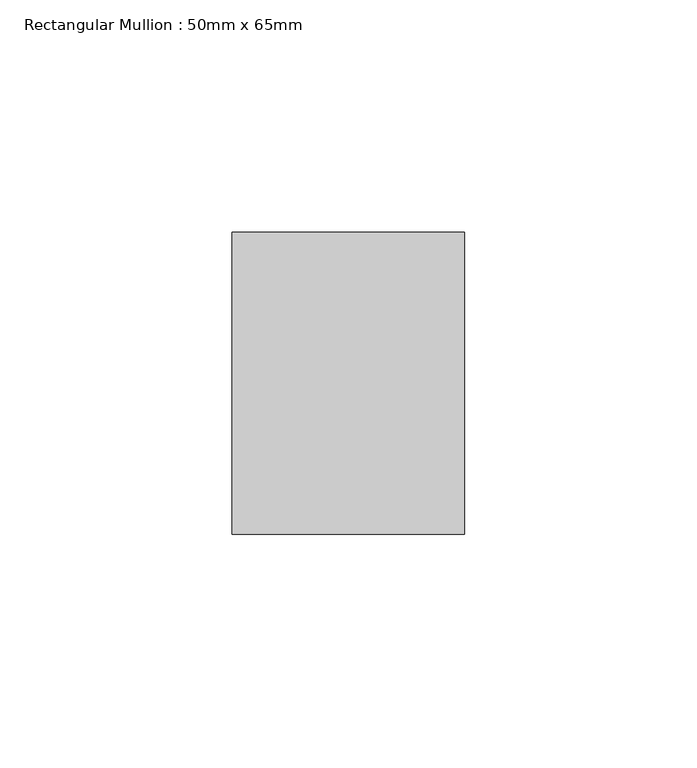
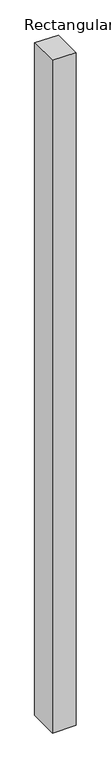
"""IFC4 building model written with IfcOpenShell, lengths in millimetres: member geometry, Rectangular Mullion : 50mm x 65mm."""

from ifc_helpers import new_model, si_unit, origin, place, context, project, spatial, faceted_brep, source, transform, mapped, element, save


def rectangular_mullion_50mm_x_65mm_d028b335(model_context):
    return source(origin(), model_context, "Body", "Brep", [
        faceted_brep([(-25.0, 32.5, -0.2027377), (25.0, 32.5, -0.2027371), (25.0, 32.5, -1499.892438), (-25.0, 32.5, -1499.8924377), (-25.0, -32.5, 0.2027371), (-25.0, -32.5, -1500.1070973), (25.0, -32.5, 0.2027377), (25.0, -32.5, -1500.1070977)], [[[0, 1, 2, 3]], [[4, 0, 3, 5]], [[6, 4, 5, 7]], [[1, 6, 7, 2]], [[1, 0, 4, 6]], [[2, 7, 5, 3]]]),
    ])


if __name__ == "__main__":
    model = new_model("IFC4")
    model_context = context("Model", 3, world=origin())
    ifc_project = project(units=[si_unit("LENGTHUNIT", "METRE", prefix="MILLI")], contexts=[model_context])
    site = spatial("IfcSite", under=ifc_project)
    building = spatial("IfcBuilding", under=site)
    placement = place(None, origin())
    rectangular_mullion_50mm_x_65mm_shape = rectangular_mullion_50mm_x_65mm_d028b335(model_context)
    element("IfcMember", 1, ObjectType="Rectangular Mullion : 50mm x 65mm", at=placement, inside=building, context=model_context, shape_type="MappedRepresentation", body=[
        mapped(rectangular_mullion_50mm_x_65mm_shape, transform((0.0, 0.0, 0.0), x_axis=(1.0, 0.0, 0.0), y_axis=(0.0, 1.0, 0.0), z_axis=(0.0, 0.0, 1.0))),
    ])
    save(model, "model.ifc")
